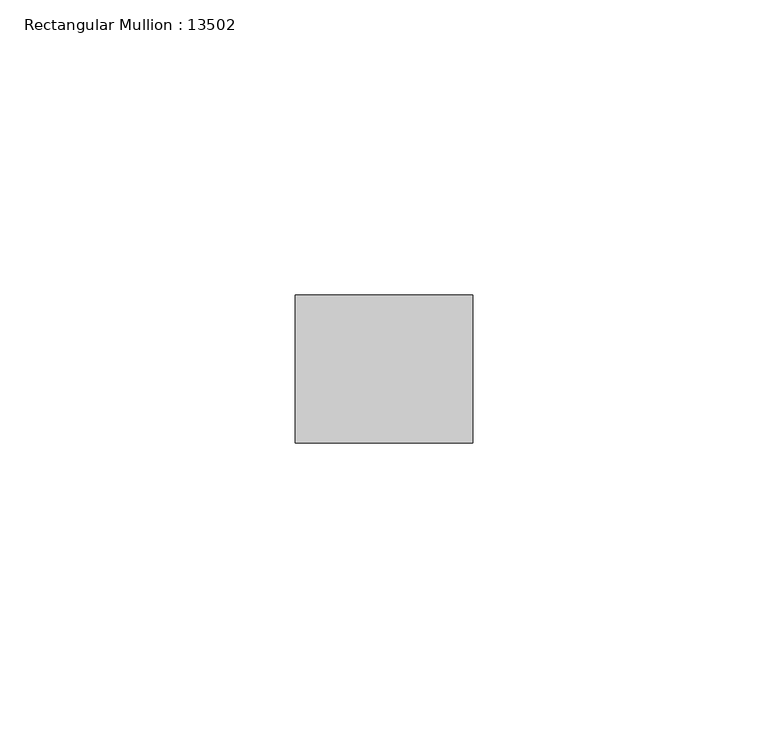
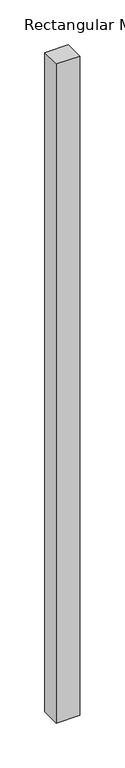
"""IFC4 building model written with IfcOpenShell, lengths in millimetres: member geometry, Rectangular Mullion : 13502."""

from ifc_helpers import new_model, si_unit, frame, origin, place, context, project, spatial, polyline, outline, extrude, source, transform, mapped, element, save


def rectangular_mullion_13502_f182d7d5(model_context):
    return source(origin(), model_context, "Body", "SweptSolid", [
        extrude(outline(polyline([(0.0, -12.5), (-29.9999993, -12.5), (-29.9999993, 12.5), (0.0, 12.5), (0.0, -12.5)])), frame((0.0, 0.0, -894.0), z_axis=(0.0, 0.0, 1.0), x_axis=(1.0, 0.0, 0.0)), (0.0, 0.0, 1.0), 894.0),
    ])


if __name__ == "__main__":
    model = new_model("IFC4")
    model_context = context("Model", 3, world=origin())
    ifc_project = project(units=[si_unit("LENGTHUNIT", "METRE", prefix="MILLI")], contexts=[model_context])
    site = spatial("IfcSite", under=ifc_project)
    building = spatial("IfcBuilding", under=site)
    placement = place(None, origin())
    rectangular_mullion_13502_shape = rectangular_mullion_13502_f182d7d5(model_context)
    element("IfcMember", 1, ObjectType="Rectangular Mullion : 13502", at=placement, inside=building, context=model_context, shape_type="MappedRepresentation", body=[
        mapped(rectangular_mullion_13502_shape, transform((0.0, 0.0, 0.0), x_axis=(1.0, 0.0, 0.0), y_axis=(0.0, 1.0, 0.0), z_axis=(0.0, 0.0, 1.0))),
    ])
    save(model, "model.ifc")
